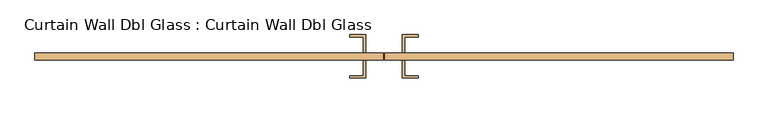
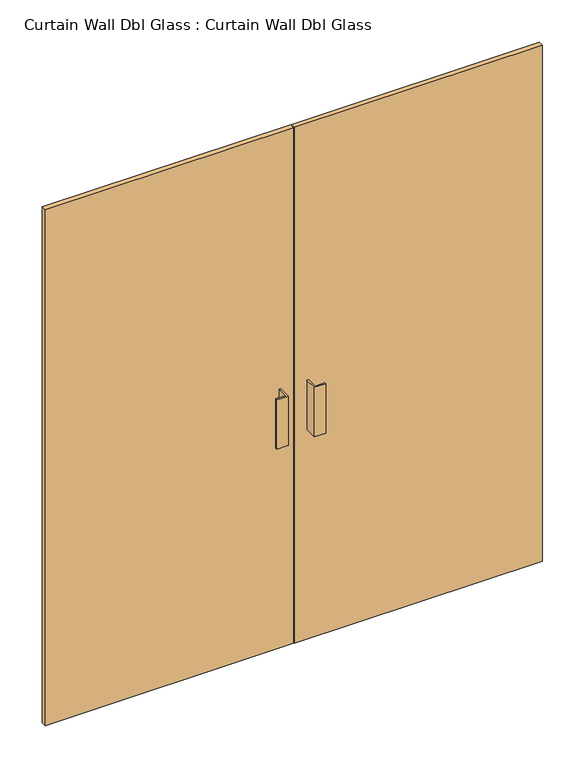
"""IFC4 building model written with IfcOpenShell, lengths in millimetres: door geometry, Curtain Wall Dbl Glass : Curtain Wall Dbl Glass."""

from ifc_helpers import new_model, si_unit, frame, origin, origin_with_axes, place, context, project, spatial, polyline, outline, extrude, source, transform, mapped, element, save


def curtain_wall_dbl_glass_curtain_wall_dbl_glass_d1a5fb89(model_context):
    return source(origin(), model_context, "Body", "SweptSolid", [
        extrude(outline(polyline([(-1.5875, 31.75), (-968.25, 31.75), (-968.25, 50.8), (-1.5875, 50.8), (-1.5875, 31.75)])), origin_with_axes(), (0.0, 0.0, 1.0), 2124.75),
        extrude(outline(polyline([(968.25, 31.75), (1.5875, 31.75), (1.5875, 50.8), (968.25, 50.8), (968.25, 31.75)])), origin_with_axes(), (0.0, 0.0, 1.0), 2124.75),
        extrude(outline(polyline([(-50.8, 101.6), (-50.8, 50.8), (-57.15, 50.8), (-57.15, 95.25), (-95.25, 95.25), (-95.25, 101.6), (-50.8, 101.6)])), frame((0.0, 0.0, 863.6), z_axis=(0.0, 0.0, 1.0), x_axis=(1.0, 0.0, 0.0)), (0.0, 0.0, 1.0), 203.2),
        extrude(outline(polyline([(50.8, 101.6), (95.25, 101.6), (95.25, 95.25), (57.15, 95.25), (57.15, 50.8), (50.8, 50.8), (50.8, 101.6)])), frame((0.0, 0.0, 863.6), z_axis=(0.0, 0.0, 1.0), x_axis=(1.0, 0.0, 0.0)), (0.0, 0.0, 1.0), 203.2),
        extrude(outline(polyline([(-50.8, -19.05), (-95.25, -19.05), (-95.25, -12.7), (-57.15, -12.7), (-57.15, 31.75), (-50.8, 31.75), (-50.8, -19.05)])), frame((0.0, 0.0, 863.6), z_axis=(0.0, 0.0, 1.0), x_axis=(1.0, 0.0, 0.0)), (0.0, 0.0, 1.0), 203.2),
        extrude(outline(polyline([(50.8, -19.05), (50.8, 31.75), (57.15, 31.75), (57.15, -12.7), (95.25, -12.7), (95.25, -19.05), (50.8, -19.05)])), frame((0.0, 0.0, 863.6), z_axis=(0.0, 0.0, 1.0), x_axis=(1.0, 0.0, 0.0)), (0.0, 0.0, 1.0), 203.2),
    ])


if __name__ == "__main__":
    model = new_model("IFC4")
    model_context = context("Model", 3, world=origin())
    ifc_project = project(units=[si_unit("LENGTHUNIT", "METRE", prefix="MILLI")], contexts=[model_context])
    site = spatial("IfcSite", under=ifc_project)
    building = spatial("IfcBuilding", under=site)
    placement = place(None, origin())
    curtain_wall_dbl_glass_curtain_wall_dbl_glass_shape = curtain_wall_dbl_glass_curtain_wall_dbl_glass_d1a5fb89(model_context)
    element("IfcDoor", 1, ObjectType="Curtain Wall Dbl Glass : Curtain Wall Dbl Glass", at=placement, inside=building, context=model_context, shape_type="MappedRepresentation", body=[
        mapped(curtain_wall_dbl_glass_curtain_wall_dbl_glass_shape, transform((0.0, 0.0, 0.0), x_axis=(1.0, 0.0, 0.0), y_axis=(0.0, 1.0, 0.0), z_axis=(0.0, 0.0, 1.0))),
    ])
    save(model, "model.ifc")
